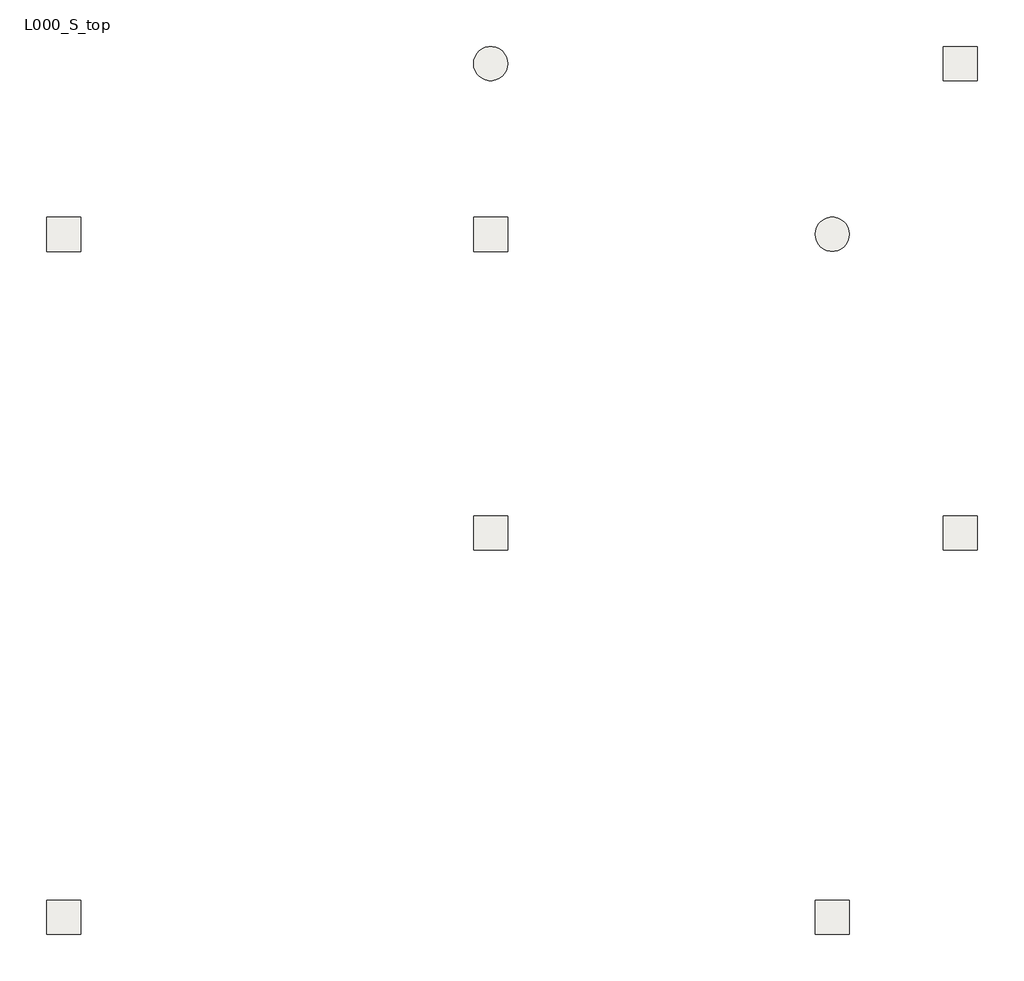
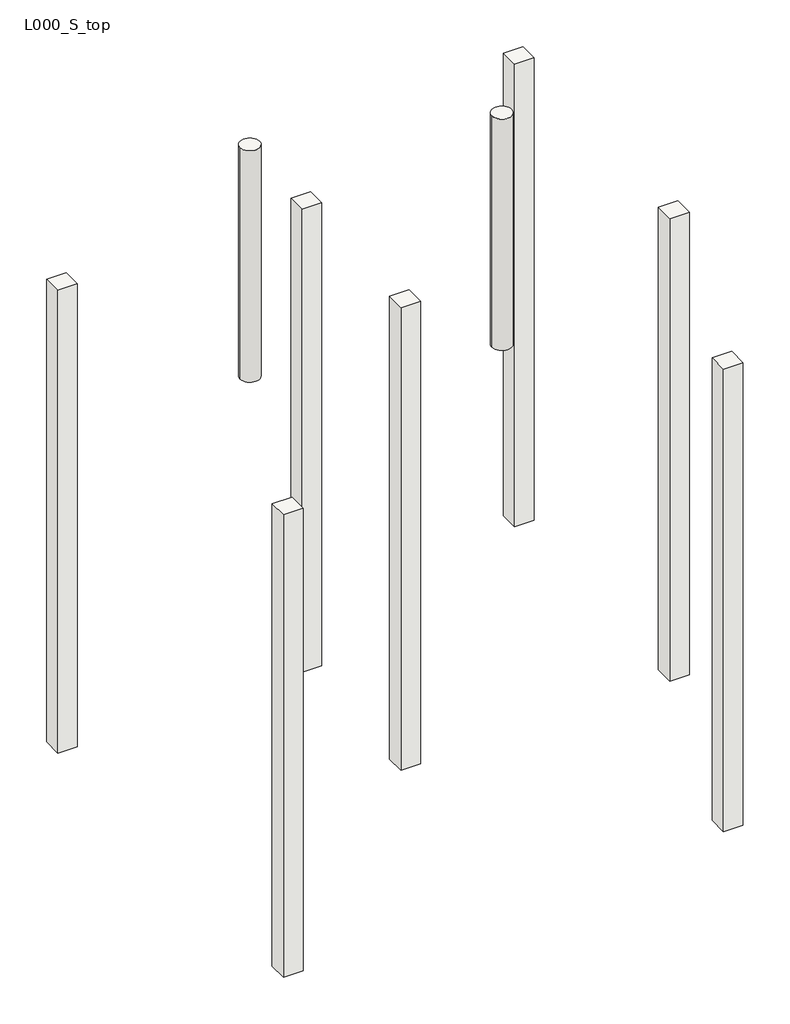
# One storey: 9 slabs.
"""IFC4 building model written with IfcOpenShell, lengths in millimetres."""

import ifcopenshell
import ifcopenshell.guid

model = None  # the IFC model being written
_history = None  # IfcOwnerHistory: only IFC2X3 demands one
_inside = {}  # id of a spatial element -> (the spatial element, [elements in it])
_under = {}  # id of a project, library or spatial element -> (it, [spatial elements below it])
_declared = {}  # id of a project -> (the project, [libraries it declares])
_typed = {}  # id of a type object -> (the type object, [elements of that type])
_made_of = {}  # id of a material, layer set ... -> (it, [elements and type objects made of it])


def new_model(schema):
    """Start an empty IFC model of exactly this schema.

    Asked for "IFC4X3", IfcOpenShell would pick the latest addendum, in which some entities
    have other attributes; the version numbers below select the first issue.
    IFC2X3 requires an IfcOwnerHistory on every rooted entity: one is made here for all.
    """
    global model, _history
    if schema == "IFC4X3":
        model = ifcopenshell.file(schema_version=(4, 3, 0, 0))
    else:
        model = ifcopenshell.file(schema=schema)
    _inside.clear()
    _under.clear()
    _declared.clear()
    _typed.clear()
    _made_of.clear()
    _history = None
    if model.schema == "IFC2X3":
        org = make("IfcOrganization", Name="unknown")
        user = make(
            "IfcPersonAndOrganization",
            ThePerson=make("IfcPerson", FamilyName="unknown"),
            TheOrganization=org,
        )
        app = make(
            "IfcApplication",
            ApplicationDeveloper=org,
            Version="unknown",
            ApplicationFullName="unknown",
            ApplicationIdentifier="unknown",
        )
        _history = make(
            "IfcOwnerHistory",
            OwningUser=user,
            OwningApplication=app,
            ChangeAction="ADDED",
            CreationDate=0,
        )
    return model


def make(cls, **values):
    """One entity of the class cls with the attributes given. An attribute that is None is left unset."""
    return model.create_entity(
        cls, **{name: value for name, value in values.items() if value is not None}
    )


def rooted(cls, **values):
    """An entity with a GlobalId (a new one), such as an element, a storey or a relation."""
    return make(cls, GlobalId=ifcopenshell.guid.new(), OwnerHistory=_history, **values)


def si_unit(unit_type, name, prefix=None):
    """IfcSIUnit, for example si_unit("LENGTHUNIT", "METRE", prefix="MILLI")."""
    return make("IfcSIUnit", UnitType=unit_type, Prefix=prefix, Name=name)


def assignment(units):
    """IfcUnitAssignment: the units of a project."""
    return None if units is None else make("IfcUnitAssignment", Units=units)


def point(xyz):
    """IfcCartesianPoint."""
    return None if xyz is None else make("IfcCartesianPoint", Coordinates=xyz)


def direction(xyz):
    """IfcDirection."""
    return None if xyz is None else make("IfcDirection", DirectionRatios=xyz)


def frame(location, z_axis=None, x_axis=None):
    """IfcAxis2Placement3D, a coordinate frame: its origin and axes. An axis left out is left unset."""
    return make(
        "IfcAxis2Placement3D",
        Location=point(location),
        Axis=direction(z_axis),
        RefDirection=direction(x_axis),
    )


def frame_2d(location, x_axis=None):
    """IfcAxis2Placement2D, a coordinate frame in the plane: its origin and x axis."""
    return make(
        "IfcAxis2Placement2D", Location=point(location), RefDirection=direction(x_axis)
    )


def origin():
    """The frame at (0, 0, 0) with its axes left unset."""
    return frame((0.0, 0.0, 0.0))


def origin_2d():
    """The frame at (0, 0) in the plane with its x axis left unset."""
    return frame_2d((0.0, 0.0))


def place(relative_to, where):
    """IfcLocalPlacement: puts the frame where relative to a parent placement (None: the world)."""
    return make(
        "IfcLocalPlacement", PlacementRelTo=relative_to, RelativePlacement=where
    )


def context(
    kind, dimensions, precision=None, world=None, true_north=None, identifier=None
):
    """IfcGeometricRepresentationContext, for example the 3D "Model" context."""
    return make(
        "IfcGeometricRepresentationContext",
        ContextIdentifier=identifier,
        ContextType=kind,
        CoordinateSpaceDimension=dimensions,
        Precision=precision,
        WorldCoordinateSystem=world,
        TrueNorth=true_north,
    )


def project(units=None, contexts=None):
    """IfcProject with its units and contexts."""
    return rooted(
        "IfcProject",
        Name="project",
        RepresentationContexts=contexts,
        UnitsInContext=assignment(units),
    )


def spatial(cls, under=None, at=None, **own):
    """A site, building, storey or space (cls), placed at a placement, below another one or the project."""
    s = rooted(cls, ObjectPlacement=at, **own)
    if under is not None:
        _under.setdefault(under.id(), (under, []))[1].append(s)
    return s


def polyline(points):
    """IfcPolyline through the points."""
    return make("IfcPolyline", Points=[point(p) for p in points])


def circle_curve(where, radius):
    """IfcCircle in the frame where."""
    return make("IfcCircle", Position=where, Radius=radius)


def trimmed(basis, trim1, trim2, sense, master):
    """IfcTrimmedCurve: the piece of a basis curve between two trims."""
    return make(
        "IfcTrimmedCurve",
        BasisCurve=basis,
        Trim1=trim1,
        Trim2=trim2,
        SenseAgreement=sense,
        MasterRepresentation=master,
    )


def segment(curve, same_sense, transition):
    """IfcCompositeCurveSegment."""
    return make(
        "IfcCompositeCurveSegment",
        Transition=transition,
        SameSense=same_sense,
        ParentCurve=curve,
    )


def composite_curve(segments, self_intersect=None):
    """IfcCompositeCurve: segments joined end to end."""
    return make("IfcCompositeCurve", Segments=segments, SelfIntersect=self_intersect)


def outline(outer, holes=None, kind="AREA"):
    """IfcArbitraryClosedProfileDef: a profile drawn as a closed curve; with holes, ...WithVoids."""
    if holes is None:
        return make("IfcArbitraryClosedProfileDef", ProfileType=kind, OuterCurve=outer)
    return make(
        "IfcArbitraryProfileDefWithVoids",
        ProfileType=kind,
        OuterCurve=outer,
        InnerCurves=holes,
    )


def extrude(swept, where, along, depth):
    """IfcExtrudedAreaSolid: the profile swept, set in the frame where, extruded along a direction by depth."""
    return make(
        "IfcExtrudedAreaSolid",
        SweptArea=swept,
        Position=where,
        ExtrudedDirection=direction(along),
        Depth=depth,
    )


def shape(context_of_items, identifier, shape_type, items):
    """IfcShapeRepresentation: the items that make up one representation, for example the "Body"."""
    return make(
        "IfcShapeRepresentation",
        ContextOfItems=context_of_items,
        RepresentationIdentifier=identifier,
        RepresentationType=shape_type,
        Items=items,
    )


def source(mapping_origin, context_of_items, identifier, shape_type, items):
    """IfcRepresentationMap: a shape defined once, which mapped items show again and again."""
    return make(
        "IfcRepresentationMap",
        MappingOrigin=mapping_origin,
        MappedRepresentation=shape(context_of_items, identifier, shape_type, items),
    )


def transform(
    local_origin,
    x_axis=None,
    y_axis=None,
    z_axis=None,
    scale=None,
    scale2=None,
    scale3=None,
    uniform=True,
):
    """IfcCartesianTransformationOperator3D, or its non-uniform kind. x_axis, y_axis, z_axis: its Axis1, 2, 3."""
    if uniform:
        return make(
            "IfcCartesianTransformationOperator3D",
            Axis1=direction(x_axis),
            Axis2=direction(y_axis),
            LocalOrigin=point(local_origin),
            Scale=scale,
            Axis3=direction(z_axis),
        )
    return make(
        "IfcCartesianTransformationOperator3DnonUniform",
        Axis1=direction(x_axis),
        Axis2=direction(y_axis),
        LocalOrigin=point(local_origin),
        Scale=scale,
        Axis3=direction(z_axis),
        Scale2=scale2,
        Scale3=scale3,
    )


def mapped(mapping_source, mapping_target):
    """IfcMappedItem: shows the shape of a source again, moved by a transform."""
    return make(
        "IfcMappedItem", MappingSource=mapping_source, MappingTarget=mapping_target
    )


def made_of(thing, what):
    """Note that an element or type object is made of a material, layer set ...; save() writes the relation."""
    if what is not None:
        _made_of.setdefault(what.id(), (what, []))[1].append(thing)
    return thing


def element(
    cls,
    number,
    at=None,
    inside=None,
    cuts=None,
    type_object=None,
    material=None,
    context=None,
    identifier="Body",
    shape_type=None,
    held_by="IfcProductDefinitionShape",
    body=None,
    shapes=None,
    **own,
):
    """One element of the class cls, such as IfcWall. Its Tag is "e" and its number.

    at: its placement. inside: the storey or other place that contains it. cuts: it is an
    opening in that element (IfcRelVoidsElement). A single representation is given by context,
    identifier, shape_type and body (its items); several are given by shapes. held_by: the class
    of the entity that holds the representations. save() writes the other relations.
    """
    e = rooted(cls, Tag="e%d" % number, ObjectPlacement=at, **own)
    if body is not None:
        shapes = [shape(context, identifier, shape_type, body)]
    if shapes is not None:
        e.Representation = make(held_by, Representations=shapes)
    if inside is not None:
        _inside.setdefault(inside.id(), (inside, []))[1].append(e)
    if cuts is not None:
        rooted(
            "IfcRelVoidsElement", RelatingBuildingElement=cuts, RelatedOpeningElement=e
        )
    if type_object is not None:
        _typed.setdefault(type_object.id(), (type_object, []))[1].append(e)
    return made_of(e, material)


def aggregate(whole, parts):
    """IfcRelAggregates: a whole, such as a stair, and the parts it consists of."""
    return rooted("IfcRelAggregates", RelatingObject=whole, RelatedObjects=parts)


def save(model, path):
    """Write the relations noted so far, then the file.

    IfcRelAggregates (storeys below a building ...), IfcRelContainedInSpatialStructure (elements
    in a storey), IfcRelDefinesByType, IfcRelAssociatesMaterial and IfcRelDeclares: one each for
    every whole, place, type object, material and project.
    """
    for whole, parts in _under.values():
        aggregate(whole, parts)
    for where, things in _inside.values():
        rooted(
            "IfcRelContainedInSpatialStructure",
            RelatedElements=things,
            RelatingStructure=where,
        )
    for kind, things in _typed.values():
        rooted("IfcRelDefinesByType", RelatedObjects=things, RelatingType=kind)
    for what, things in _made_of.values():
        rooted("IfcRelAssociatesMaterial", RelatedObjects=things, RelatingMaterial=what)
    for by, libraries in _declared.values():
        rooted("IfcRelDeclares", RelatingContext=by, RelatedDefinitions=libraries)
    model.write(path)


def slab_17_rhd_pile_round_9a991758(model_context):
    return source(origin(), model_context, "Body", "SweptSolid", [
        extrude(outline(composite_curve([segment(trimmed(circle_curve(origin_2d(), 200.0), [point((-200.0, 0.0))], [point((200.0, 0.0))], False, "CARTESIAN"), True, "CONTINUOUS"), segment(trimmed(circle_curve(origin_2d(), 200.0), [point((200.0, 0.0))], [point((-200.0, 0.0))], False, "CARTESIAN"), True, "CONTINUOUS")], self_intersect=False)), frame((0.0, 0.0, -5000.0), z_axis=(0.0, 0.0, 1.0), x_axis=(1.0, 0.0, 0.0)), (0.0, 0.0, 1.0), 5000.0),
    ])


def slab_17_rhd_pile_square_f0ec38c5(model_context):
    return source(origin(), model_context, "Body", "SweptSolid", [
        extrude(outline(polyline([(200.0, 200.0), (200.0, -200.0), (-200.0, -200.0), (-200.0, 200.0), (200.0, 200.0)])), frame((0.0, 0.0, -10000.0), z_axis=(0.0, 0.0, 1.0), x_axis=(1.0, 0.0, 0.0)), (0.0, 0.0, 1.0), 10000.0),
    ])


model = new_model("IFC4")

# Units and contexts
model_context = context("Model", 3, world=origin())
ifc_project = project(units=[si_unit("LENGTHUNIT", "METRE", prefix="MILLI")], contexts=[model_context])

# Site, building, storey
site = spatial("IfcSite", under=ifc_project)
building = spatial("IfcBuilding", under=site)
storey = spatial("IfcBuildingStorey", under=building, Name="L000_S_top", Elevation=0.0)

# Slabs
placement = place(None, origin())
slab_17_rhd_pile_round_shape = slab_17_rhd_pile_round_9a991758(model_context)
element("IfcSlab", 1, ObjectType="17_RHD_pile_round", at=placement, inside=storey, context=model_context, shape_type="MappedRepresentation", body=[
    mapped(slab_17_rhd_pile_round_shape, transform((6000.0, 5000.0, -500.0), x_axis=(1.0, 0.0, 0.0), y_axis=(0.0, 1.0, 0.0), z_axis=(0.0, 0.0, 1.0))),
])
element("IfcSlab", 2, ObjectType="17_RHD_pile_round", at=placement, inside=storey, context=model_context, shape_type="MappedRepresentation", body=[
    mapped(slab_17_rhd_pile_round_shape, transform((2000.0, 7000.0, -1000.0), x_axis=(1.0, 0.0, 0.0), y_axis=(0.0, 1.0, 0.0), z_axis=(0.0, 0.0, 1.0))),
])
slab_17_rhd_pile_square_shape = slab_17_rhd_pile_square_f0ec38c5(model_context)
element("IfcSlab", 3, ObjectType="17_RHD_pile_square", at=placement, inside=storey, context=model_context, shape_type="MappedRepresentation", body=[
    mapped(slab_17_rhd_pile_square_shape, transform((2000.0, 1500.0, -1000.0), x_axis=(1.0, 0.0, 0.0), y_axis=(0.0, 1.0, 0.0), z_axis=(0.0, 0.0, 1.0))),
])
element("IfcSlab", 4, ObjectType="17_RHD_pile_square", at=placement, inside=storey, context=model_context, shape_type="MappedRepresentation", body=[
    mapped(slab_17_rhd_pile_square_shape, transform((2000.0, 5000.0, -1000.0), x_axis=(1.0, 0.0, 0.0), y_axis=(0.0, 1.0, 0.0), z_axis=(0.0, 0.0, 1.0))),
])
element("IfcSlab", 5, ObjectType="17_RHD_pile_square", at=placement, inside=storey, context=model_context, shape_type="MappedRepresentation", body=[
    mapped(slab_17_rhd_pile_square_shape, transform((7500.0, 1500.0, -1000.0), x_axis=(1.0, 0.0, 0.0), y_axis=(0.0, 1.0, 0.0), z_axis=(0.0, 0.0, 1.0))),
])
element("IfcSlab", 6, ObjectType="17_RHD_pile_square", at=placement, inside=storey, context=model_context, shape_type="MappedRepresentation", body=[
    mapped(slab_17_rhd_pile_square_shape, transform((7500.0, 7000.0, -1000.0), x_axis=(1.0, 0.0, 0.0), y_axis=(0.0, 1.0, 0.0), z_axis=(0.0, 0.0, 1.0))),
])
element("IfcSlab", 7, ObjectType="17_RHD_pile_square", at=placement, inside=storey, context=model_context, shape_type="MappedRepresentation", body=[
    mapped(slab_17_rhd_pile_square_shape, transform((-3000.0, 5000.0, -1000.0), x_axis=(1.0, 0.0, 0.0), y_axis=(0.0, 1.0, 0.0), z_axis=(0.0, 0.0, 1.0))),
])
element("IfcSlab", 8, ObjectType="17_RHD_pile_square", at=placement, inside=storey, context=model_context, shape_type="MappedRepresentation", body=[
    mapped(slab_17_rhd_pile_square_shape, transform((-3000.0, -3000.0, -1000.0), x_axis=(1.0, 0.0, 0.0), y_axis=(0.0, 1.0, 0.0), z_axis=(0.0, 0.0, 1.0))),
])
element("IfcSlab", 9, ObjectType="17_RHD_pile_square", at=placement, inside=storey, context=model_context, shape_type="MappedRepresentation", body=[
    mapped(slab_17_rhd_pile_square_shape, transform((6000.0, -3000.0, -1000.0), x_axis=(1.0, 0.0, 0.0), y_axis=(0.0, 1.0, 0.0), z_axis=(0.0, 0.0, 1.0))),
])

save(model, "model.ifc")
